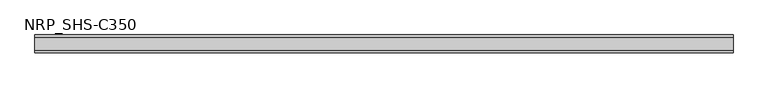
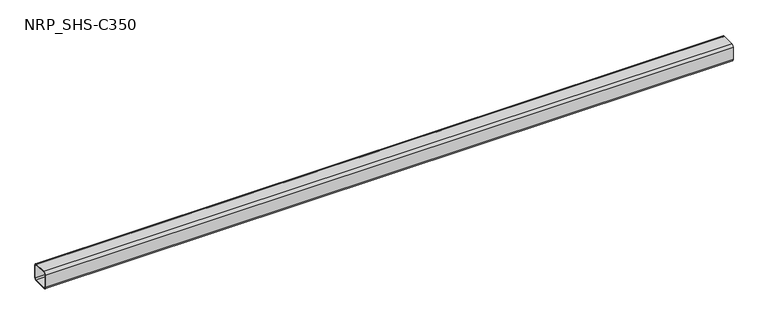
"""IFC4 building model written with IfcOpenShell, lengths in millimetres: member geometry, NRP_SHS-C350."""

from ifc_helpers import new_model, si_unit, point, frame, frame_2d, origin, place, context, project, spatial, polyline, circle_curve, trimmed, segment, composite_curve, outline, extrude, source, transform, mapped, element, save


def nrp_shs_c350_206beee6(model_context):
    return source(origin(), model_context, "Body", "SweptSolid", [
        extrude(outline(composite_curve([segment(polyline([(44.5, 32.0), (44.5, -32.0)]), True, "CONTINUOUS"), segment(trimmed(circle_curve(frame_2d((32.0, -32.0)), 12.5), [point((44.5, -32.0))], [point((32.0, -44.5))], False, "CARTESIAN"), True, "CONTINUOUS"), segment(polyline([(32.0, -44.5), (-32.0, -44.5)]), True, "CONTINUOUS"), segment(trimmed(circle_curve(frame_2d((-32.0, -32.0)), 12.5), [point((-32.0, -44.5))], [point((-44.5, -32.0))], False, "CARTESIAN"), True, "CONTINUOUS"), segment(polyline([(-44.5, -32.0), (-44.5, 32.0)]), True, "CONTINUOUS"), segment(trimmed(circle_curve(frame_2d((-32.0, 32.0)), 12.5), [point((-44.5, 32.0))], [point((-32.0, 44.5))], False, "CARTESIAN"), True, "CONTINUOUS"), segment(polyline([(-32.0, 44.5), (32.0, 44.5)]), True, "CONTINUOUS"), segment(trimmed(circle_curve(frame_2d((32.0, 32.0)), 12.5), [point((32.0, 44.5))], [point((44.5, 32.0))], False, "CARTESIAN"), True, "CONTINUOUS")], self_intersect=False), holes=[composite_curve([segment(trimmed(circle_curve(frame_2d((-32.0, 32.0)), 7.5), [point((-32.0, 39.5))], [point((-39.5, 32.0))], True, "CARTESIAN"), True, "CONTINUOUS"), segment(polyline([(-39.5, 32.0), (-39.5, -32.0)]), True, "CONTINUOUS"), segment(trimmed(circle_curve(frame_2d((-32.0, -32.0)), 7.5), [point((-39.5, -32.0))], [point((-32.0, -39.5))], True, "CARTESIAN"), True, "CONTINUOUS"), segment(polyline([(-32.0, -39.5), (32.0, -39.5)]), True, "CONTINUOUS"), segment(trimmed(circle_curve(frame_2d((32.0, -32.0)), 7.5), [point((32.0, -39.5))], [point((39.5, -32.0))], True, "CARTESIAN"), True, "CONTINUOUS"), segment(polyline([(39.5, -32.0), (39.5, 32.0)]), True, "CONTINUOUS"), segment(trimmed(circle_curve(frame_2d((32.0, 32.0)), 7.5), [point((39.5, 32.0))], [point((32.0, 39.5))], True, "CARTESIAN"), True, "CONTINUOUS"), segment(polyline([(32.0, 39.5), (-32.0, 39.5)]), True, "CONTINUOUS")], self_intersect=False)]), frame((-1727.0, 0.0, 0.0), z_axis=(1.0, 0.0, 0.0), x_axis=(0.0, 1.0, 0.0)), (0.0, 0.0, 1.0), 3454.0),
    ])


if __name__ == "__main__":
    model = new_model("IFC4")
    model_context = context("Model", 3, world=origin())
    ifc_project = project(units=[si_unit("LENGTHUNIT", "METRE", prefix="MILLI")], contexts=[model_context])
    site = spatial("IfcSite", under=ifc_project)
    building = spatial("IfcBuilding", under=site)
    placement = place(None, origin())
    nrp_shs_c350_shape = nrp_shs_c350_206beee6(model_context)
    element("IfcMember", 1, ObjectType="NRP_SHS-C350", at=placement, inside=building, context=model_context, shape_type="MappedRepresentation", body=[
        mapped(nrp_shs_c350_shape, transform((0.0, 0.0, 0.0), x_axis=(1.0, 0.0, 0.0), y_axis=(0.0, 1.0, 0.0), z_axis=(0.0, 0.0, 1.0))),
    ])
    save(model, "model.ifc")
